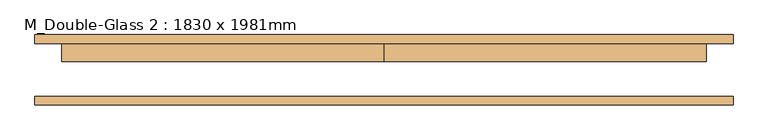
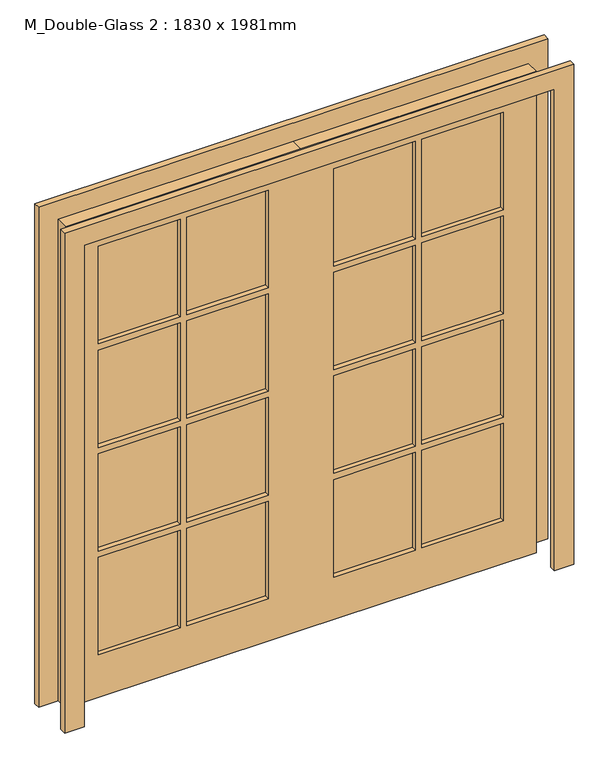
"""IFC4 building model written with IfcOpenShell, lengths in millimetres: door geometry, M_Double-Glass 2 : 1830 x 1981mm."""

import ifcopenshell
import ifcopenshell.guid

model = None  # the IFC model being written
_history = None  # IfcOwnerHistory: only IFC2X3 demands one
_inside = {}  # id of a spatial element -> (the spatial element, [elements in it])
_under = {}  # id of a project, library or spatial element -> (it, [spatial elements below it])
_declared = {}  # id of a project -> (the project, [libraries it declares])
_typed = {}  # id of a type object -> (the type object, [elements of that type])
_made_of = {}  # id of a material, layer set ... -> (it, [elements and type objects made of it])


def new_model(schema):
    """Start an empty IFC model of exactly this schema.

    Asked for "IFC4X3", IfcOpenShell would pick the latest addendum, in which some entities
    have other attributes; the version numbers below select the first issue.
    IFC2X3 requires an IfcOwnerHistory on every rooted entity: one is made here for all.
    """
    global model, _history
    if schema == "IFC4X3":
        model = ifcopenshell.file(schema_version=(4, 3, 0, 0))
    else:
        model = ifcopenshell.file(schema=schema)
    _inside.clear()
    _under.clear()
    _declared.clear()
    _typed.clear()
    _made_of.clear()
    _history = None
    if model.schema == "IFC2X3":
        org = make("IfcOrganization", Name="unknown")
        user = make(
            "IfcPersonAndOrganization",
            ThePerson=make("IfcPerson", FamilyName="unknown"),
            TheOrganization=org,
        )
        app = make(
            "IfcApplication",
            ApplicationDeveloper=org,
            Version="unknown",
            ApplicationFullName="unknown",
            ApplicationIdentifier="unknown",
        )
        _history = make(
            "IfcOwnerHistory",
            OwningUser=user,
            OwningApplication=app,
            ChangeAction="ADDED",
            CreationDate=0,
        )
    return model


def make(cls, **values):
    """One entity of the class cls with the attributes given. An attribute that is None is left unset."""
    return model.create_entity(
        cls, **{name: value for name, value in values.items() if value is not None}
    )


def rooted(cls, **values):
    """An entity with a GlobalId (a new one), such as an element, a storey or a relation."""
    return make(cls, GlobalId=ifcopenshell.guid.new(), OwnerHistory=_history, **values)


def si_unit(unit_type, name, prefix=None):
    """IfcSIUnit, for example si_unit("LENGTHUNIT", "METRE", prefix="MILLI")."""
    return make("IfcSIUnit", UnitType=unit_type, Prefix=prefix, Name=name)


def assignment(units):
    """IfcUnitAssignment: the units of a project."""
    return None if units is None else make("IfcUnitAssignment", Units=units)


def point(xyz):
    """IfcCartesianPoint."""
    return None if xyz is None else make("IfcCartesianPoint", Coordinates=xyz)


def direction(xyz):
    """IfcDirection."""
    return None if xyz is None else make("IfcDirection", DirectionRatios=xyz)


def frame(location, z_axis=None, x_axis=None):
    """IfcAxis2Placement3D, a coordinate frame: its origin and axes. An axis left out is left unset."""
    return make(
        "IfcAxis2Placement3D",
        Location=point(location),
        Axis=direction(z_axis),
        RefDirection=direction(x_axis),
    )


def origin():
    """The frame at (0, 0, 0) with its axes left unset."""
    return frame((0.0, 0.0, 0.0))


def place(relative_to, where):
    """IfcLocalPlacement: puts the frame where relative to a parent placement (None: the world)."""
    return make(
        "IfcLocalPlacement", PlacementRelTo=relative_to, RelativePlacement=where
    )


def context(
    kind, dimensions, precision=None, world=None, true_north=None, identifier=None
):
    """IfcGeometricRepresentationContext, for example the 3D "Model" context."""
    return make(
        "IfcGeometricRepresentationContext",
        ContextIdentifier=identifier,
        ContextType=kind,
        CoordinateSpaceDimension=dimensions,
        Precision=precision,
        WorldCoordinateSystem=world,
        TrueNorth=true_north,
    )


def project(units=None, contexts=None):
    """IfcProject with its units and contexts."""
    return rooted(
        "IfcProject",
        Name="project",
        RepresentationContexts=contexts,
        UnitsInContext=assignment(units),
    )


def spatial(cls, under=None, at=None, **own):
    """A site, building, storey or space (cls), placed at a placement, below another one or the project."""
    s = rooted(cls, ObjectPlacement=at, **own)
    if under is not None:
        _under.setdefault(under.id(), (under, []))[1].append(s)
    return s


def polyline(points):
    """IfcPolyline through the points."""
    return make("IfcPolyline", Points=[point(p) for p in points])


def outline(outer, holes=None, kind="AREA"):
    """IfcArbitraryClosedProfileDef: a profile drawn as a closed curve; with holes, ...WithVoids."""
    if holes is None:
        return make("IfcArbitraryClosedProfileDef", ProfileType=kind, OuterCurve=outer)
    return make(
        "IfcArbitraryProfileDefWithVoids",
        ProfileType=kind,
        OuterCurve=outer,
        InnerCurves=holes,
    )


def extrude(swept, where, along, depth):
    """IfcExtrudedAreaSolid: the profile swept, set in the frame where, extruded along a direction by depth."""
    return make(
        "IfcExtrudedAreaSolid",
        SweptArea=swept,
        Position=where,
        ExtrudedDirection=direction(along),
        Depth=depth,
    )


def shape(context_of_items, identifier, shape_type, items):
    """IfcShapeRepresentation: the items that make up one representation, for example the "Body"."""
    return make(
        "IfcShapeRepresentation",
        ContextOfItems=context_of_items,
        RepresentationIdentifier=identifier,
        RepresentationType=shape_type,
        Items=items,
    )


def source(mapping_origin, context_of_items, identifier, shape_type, items):
    """IfcRepresentationMap: a shape defined once, which mapped items show again and again."""
    return make(
        "IfcRepresentationMap",
        MappingOrigin=mapping_origin,
        MappedRepresentation=shape(context_of_items, identifier, shape_type, items),
    )


def transform(
    local_origin,
    x_axis=None,
    y_axis=None,
    z_axis=None,
    scale=None,
    scale2=None,
    scale3=None,
    uniform=True,
):
    """IfcCartesianTransformationOperator3D, or its non-uniform kind. x_axis, y_axis, z_axis: its Axis1, 2, 3."""
    if uniform:
        return make(
            "IfcCartesianTransformationOperator3D",
            Axis1=direction(x_axis),
            Axis2=direction(y_axis),
            LocalOrigin=point(local_origin),
            Scale=scale,
            Axis3=direction(z_axis),
        )
    return make(
        "IfcCartesianTransformationOperator3DnonUniform",
        Axis1=direction(x_axis),
        Axis2=direction(y_axis),
        LocalOrigin=point(local_origin),
        Scale=scale,
        Axis3=direction(z_axis),
        Scale2=scale2,
        Scale3=scale3,
    )


def mapped(mapping_source, mapping_target):
    """IfcMappedItem: shows the shape of a source again, moved by a transform."""
    return make(
        "IfcMappedItem", MappingSource=mapping_source, MappingTarget=mapping_target
    )


def made_of(thing, what):
    """Note that an element or type object is made of a material, layer set ...; save() writes the relation."""
    if what is not None:
        _made_of.setdefault(what.id(), (what, []))[1].append(thing)
    return thing


def element(
    cls,
    number,
    at=None,
    inside=None,
    cuts=None,
    type_object=None,
    material=None,
    context=None,
    identifier="Body",
    shape_type=None,
    held_by="IfcProductDefinitionShape",
    body=None,
    shapes=None,
    **own,
):
    """One element of the class cls, such as IfcWall. Its Tag is "e" and its number.

    at: its placement. inside: the storey or other place that contains it. cuts: it is an
    opening in that element (IfcRelVoidsElement). A single representation is given by context,
    identifier, shape_type and body (its items); several are given by shapes. held_by: the class
    of the entity that holds the representations. save() writes the other relations.
    """
    e = rooted(cls, Tag="e%d" % number, ObjectPlacement=at, **own)
    if body is not None:
        shapes = [shape(context, identifier, shape_type, body)]
    if shapes is not None:
        e.Representation = make(held_by, Representations=shapes)
    if inside is not None:
        _inside.setdefault(inside.id(), (inside, []))[1].append(e)
    if cuts is not None:
        rooted(
            "IfcRelVoidsElement", RelatingBuildingElement=cuts, RelatedOpeningElement=e
        )
    if type_object is not None:
        _typed.setdefault(type_object.id(), (type_object, []))[1].append(e)
    return made_of(e, material)


def aggregate(whole, parts):
    """IfcRelAggregates: a whole, such as a stair, and the parts it consists of."""
    return rooted("IfcRelAggregates", RelatingObject=whole, RelatedObjects=parts)


def save(model, path):
    """Write the relations noted so far, then the file.

    IfcRelAggregates (storeys below a building ...), IfcRelContainedInSpatialStructure (elements
    in a storey), IfcRelDefinesByType, IfcRelAssociatesMaterial and IfcRelDeclares: one each for
    every whole, place, type object, material and project.
    """
    for whole, parts in _under.values():
        aggregate(whole, parts)
    for where, things in _inside.values():
        rooted(
            "IfcRelContainedInSpatialStructure",
            RelatedElements=things,
            RelatingStructure=where,
        )
    for kind, things in _typed.values():
        rooted("IfcRelDefinesByType", RelatedObjects=things, RelatingType=kind)
    for what, things in _made_of.values():
        rooted("IfcRelAssociatesMaterial", RelatedObjects=things, RelatingMaterial=what)
    for by, libraries in _declared.values():
        rooted("IfcRelDeclares", RelatingContext=by, RelatedDefinitions=libraries)
    model.write(path)


def m_double_glass_2_1830_x_1981mm_a18ef213(model_context):
    return source(origin(), model_context, "Body", "SweptSolid", [
        extrude(outline(polyline([(470.0, 55.95), (788.0, 55.95), (788.0, 43.25), (470.0, 43.25), (470.0, 55.95)])), frame((0.0, 0.0, 1454.5), z_axis=(0.0, 0.0, 1.0), x_axis=(1.0, 0.0, 0.0)), (0.0, 0.0, 1.0), 401.5),
        extrude(outline(polyline([(127.0, 55.95), (445.0, 55.95), (445.0, 43.25), (127.0, 43.25), (127.0, 55.95)])), frame((0.0, 0.0, 1454.5), z_axis=(0.0, 0.0, 1.0), x_axis=(1.0, 0.0, 0.0)), (0.0, 0.0, 1.0), 401.5),
        extrude(outline(polyline([(-445.0, 55.95), (-127.0, 55.95), (-127.0, 43.25), (-445.0, 43.25), (-445.0, 55.95)])), frame((0.0, 0.0, 1454.5), z_axis=(0.0, 0.0, 1.0), x_axis=(1.0, 0.0, 0.0)), (0.0, 0.0, 1.0), 401.5),
        extrude(outline(polyline([(-788.0, 55.95), (-470.0, 55.95), (-470.0, 43.25), (-788.0, 43.25), (-788.0, 55.95)])), frame((0.0, 0.0, 1454.5), z_axis=(0.0, 0.0, 1.0), x_axis=(1.0, 0.0, 0.0)), (0.0, 0.0, 1.0), 401.5),
        extrude(outline(polyline([(-788.0, 55.95), (-470.0, 55.95), (-470.0, 43.25), (-788.0, 43.25), (-788.0, 55.95)])), frame((0.0, 0.0, 1028.0), z_axis=(0.0, 0.0, 1.0), x_axis=(1.0, 0.0, 0.0)), (0.0, 0.0, 1.0), 401.5),
        extrude(outline(polyline([(-445.0, 55.95), (-127.0, 55.95), (-127.0, 43.25), (-445.0, 43.25), (-445.0, 55.95)])), frame((0.0, 0.0, 1028.0), z_axis=(0.0, 0.0, 1.0), x_axis=(1.0, 0.0, 0.0)), (0.0, 0.0, 1.0), 401.5),
        extrude(outline(polyline([(127.0, 55.95), (445.0, 55.95), (445.0, 43.25), (127.0, 43.25), (127.0, 55.95)])), frame((0.0, 0.0, 1028.0), z_axis=(0.0, 0.0, 1.0), x_axis=(1.0, 0.0, 0.0)), (0.0, 0.0, 1.0), 401.5),
        extrude(outline(polyline([(470.0, 55.95), (788.0, 55.95), (788.0, 43.25), (470.0, 43.25), (470.0, 55.95)])), frame((0.0, 0.0, 1028.0), z_axis=(0.0, 0.0, 1.0), x_axis=(1.0, 0.0, 0.0)), (0.0, 0.0, 1.0), 401.5),
        extrude(outline(polyline([(470.0, 55.95), (788.0, 55.95), (788.0, 43.25), (470.0, 43.25), (470.0, 55.95)])), frame((0.0, 0.0, 601.5), z_axis=(0.0, 0.0, 1.0), x_axis=(1.0, 0.0, 0.0)), (0.0, 0.0, 1.0), 401.5),
        extrude(outline(polyline([(127.0, 55.95), (445.0, 55.95), (445.0, 43.25), (127.0, 43.25), (127.0, 55.95)])), frame((0.0, 0.0, 601.5), z_axis=(0.0, 0.0, 1.0), x_axis=(1.0, 0.0, 0.0)), (0.0, 0.0, 1.0), 401.5),
        extrude(outline(polyline([(-445.0, 55.95), (-127.0, 55.95), (-127.0, 43.25), (-445.0, 43.25), (-445.0, 55.95)])), frame((0.0, 0.0, 601.5), z_axis=(0.0, 0.0, 1.0), x_axis=(1.0, 0.0, 0.0)), (0.0, 0.0, 1.0), 401.5),
        extrude(outline(polyline([(-788.0, 55.95), (-470.0, 55.95), (-470.0, 43.25), (-788.0, 43.25), (-788.0, 55.95)])), frame((0.0, 0.0, 601.5), z_axis=(0.0, 0.0, 1.0), x_axis=(1.0, 0.0, 0.0)), (0.0, 0.0, 1.0), 401.5),
        extrude(outline(polyline([(470.0, 55.95), (788.0, 55.95), (788.0, 43.25), (470.0, 43.25), (470.0, 55.95)])), frame((0.0, 0.0, 175.0), z_axis=(0.0, 0.0, 1.0), x_axis=(1.0, 0.0, 0.0)), (0.0, 0.0, 1.0), 401.5),
        extrude(outline(polyline([(127.0, 55.95), (445.0, 55.95), (445.0, 43.25), (127.0, 43.25), (127.0, 55.95)])), frame((0.0, 0.0, 175.0), z_axis=(0.0, 0.0, 1.0), x_axis=(1.0, 0.0, 0.0)), (0.0, 0.0, 1.0), 401.5),
        extrude(outline(polyline([(-445.0, 55.95), (-127.0, 55.95), (-127.0, 43.25), (-445.0, 43.25), (-445.0, 55.95)])), frame((0.0, 0.0, 175.0), z_axis=(0.0, 0.0, 1.0), x_axis=(1.0, 0.0, 0.0)), (0.0, 0.0, 1.0), 401.5),
        extrude(outline(polyline([(-788.0, 55.95), (-470.0, 55.95), (-470.0, 43.25), (-788.0, 43.25), (-788.0, 55.95)])), frame((0.0, 0.0, 175.0), z_axis=(0.0, 0.0, 1.0), x_axis=(1.0, 0.0, 0.0)), (0.0, 0.0, 1.0), 401.5),
        extrude(outline(polyline([(1981.0, 0.0), (1981.0, -915.0), (0.0, -915.0), (0.0, 0.0), (0.0, 915.0), (1981.0, 915.0), (1981.0, 0.0)]), holes=[polyline([(1856.0, 470.0), (1856.0, 788.0), (1454.5, 788.0), (1454.5, 470.0), (1856.0, 470.0)]), polyline([(1856.0, 127.0), (1856.0, 445.0), (1454.5, 445.0), (1454.5, 127.0), (1856.0, 127.0)]), polyline([(1429.5, 470.0), (1429.5, 788.0), (1028.0, 788.0), (1028.0, 470.0), (1429.5, 470.0)]), polyline([(1429.5, 127.0), (1429.5, 445.0), (1028.0, 445.0), (1028.0, 127.0), (1429.5, 127.0)]), polyline([(1003.0, 470.0), (1003.0, 788.0), (601.5, 788.0), (601.5, 470.0), (1003.0, 470.0)]), polyline([(1003.0, 127.0), (1003.0, 445.0), (601.5, 445.0), (601.5, 127.0), (1003.0, 127.0)]), polyline([(576.5, 470.0), (576.5, 788.0), (175.0, 788.0), (175.0, 470.0), (576.5, 470.0)]), polyline([(576.5, 127.0), (576.5, 445.0), (175.0, 445.0), (175.0, 127.0), (576.5, 127.0)]), polyline([(1856.0, -445.0), (1856.0, -127.0), (1454.5, -127.0), (1454.5, -445.0), (1856.0, -445.0)]), polyline([(1429.5, -445.0), (1429.5, -127.0), (1028.0, -127.0), (1028.0, -445.0), (1429.5, -445.0)]), polyline([(1429.5, -470.0), (1028.0, -470.0), (1028.0, -788.0), (1429.5, -788.0), (1429.5, -470.0)]), polyline([(1003.0, -445.0), (1003.0, -127.0), (601.5, -127.0), (601.5, -445.0), (1003.0, -445.0)]), polyline([(1003.0, -470.0), (601.5, -470.0), (601.5, -788.0), (1003.0, -788.0), (1003.0, -470.0)]), polyline([(576.5, -445.0), (576.5, -127.0), (175.0, -127.0), (175.0, -445.0), (576.5, -445.0)]), polyline([(576.5, -788.0), (576.5, -470.0), (175.0, -470.0), (175.0, -788.0), (576.5, -788.0)]), polyline([(1454.5, -470.0), (1454.5, -788.0), (1856.0, -788.0), (1856.0, -470.0), (1454.5, -470.0)])]), frame((0.0, 24.0, 0.0), z_axis=(0.0, 1.0, 0.0), x_axis=(0.0, 0.0, 1.0)), (0.0, 0.0, 1.0), 51.0),
        extrude(outline(polyline([(1981.0, -915.0), (1981.0, 915.0), (0.0, 915.0), (0.0, 991.0), (2057.0, 991.0), (2057.0, -991.0), (0.0, -991.0), (0.0, -915.0), (1981.0, -915.0)])), frame((0.0, -100.0, 0.0), z_axis=(0.0, 1.0, 0.0), x_axis=(0.0, 0.0, 1.0)), (0.0, 0.0, 1.0), 25.0),
        extrude(outline(polyline([(1981.0, -915.0), (1981.0, 915.0), (0.0, 915.0), (0.0, 991.0), (2057.0, 991.0), (2057.0, -991.0), (0.0, -991.0), (0.0, -915.0), (1981.0, -915.0)])), frame((0.0, 75.0, 0.0), z_axis=(0.0, 1.0, 0.0), x_axis=(0.0, 0.0, 1.0)), (0.0, 0.0, 1.0), 25.0),
    ])


if __name__ == "__main__":
    model = new_model("IFC4")
    model_context = context("Model", 3, world=origin())
    ifc_project = project(units=[si_unit("LENGTHUNIT", "METRE", prefix="MILLI")], contexts=[model_context])
    site = spatial("IfcSite", under=ifc_project)
    building = spatial("IfcBuilding", under=site)
    placement = place(None, origin())
    m_double_glass_2_1830_x_1981mm_shape = m_double_glass_2_1830_x_1981mm_a18ef213(model_context)
    element("IfcDoor", 1, ObjectType="M_Double-Glass 2 : 1830 x 1981mm", at=placement, inside=building, context=model_context, shape_type="MappedRepresentation", body=[
        mapped(m_double_glass_2_1830_x_1981mm_shape, transform((0.0, 0.0, 0.0), x_axis=(1.0, 0.0, 0.0), y_axis=(0.0, 1.0, 0.0), z_axis=(0.0, 0.0, 1.0))),
    ])
    save(model, "model.ifc")
